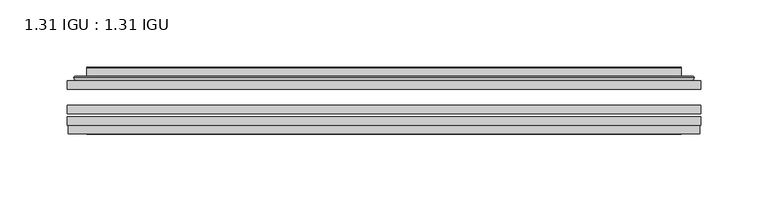
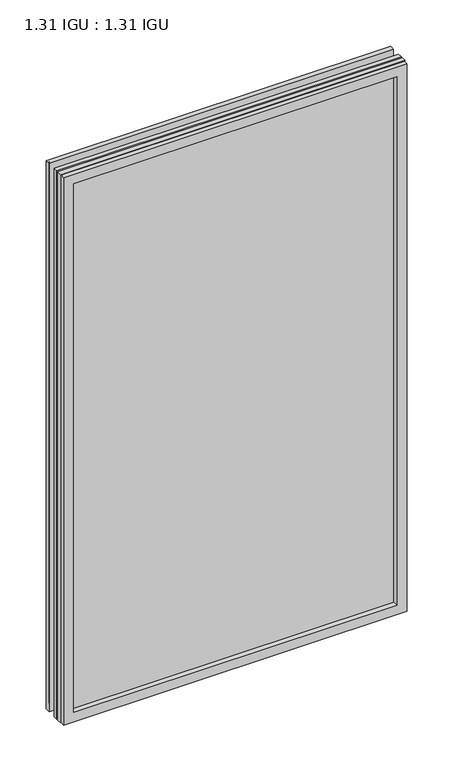
"""IFC4 building model written with IfcOpenShell, lengths in millimetres: plate geometry, 1.31 IGU : 1.31 IGU."""

from ifc_helpers import new_model, si_unit, frame, origin, place, context, project, spatial, polyline, ellipse_curve, outline, extrude, faceted_brep, source, transform, mapped, element, save
from ifc_brep_helpers import plane_surface, cylinder_surface, advanced_brep


def plate_1_31_igu_1_31_igu_d8c3344d(model_context):
    return source(origin(), model_context, "Body", "SolidModel", [
        extrude(outline(polyline([(234.964175, -63.59525), (234.964175, -69.94525), (-234.95, -69.94525), (-234.95, -63.59525), (234.964175, -63.59525)])), frame((0.0, 0.0, -14.2875), z_axis=(0.0, 0.0, 1.0), x_axis=(1.0, 0.0, 0.0)), (0.0, 0.0, 1.0), 790.6015278),
        extrude(outline(polyline([(-234.95, -78.58125), (-234.95, -72.230745), (234.964175, -72.230745), (234.964175, -78.58125), (-234.95, -78.58125)])), frame((0.0, 0.0, -14.2875), z_axis=(0.0, 0.0, 1.0), x_axis=(1.0, 0.0, 0.0)), (0.0, 0.0, 1.0), 790.6015278),
        extrude(outline(polyline([(234.964175, -45.25645), (234.964175, -51.60645), (-234.95, -51.60645), (-234.95, -45.25645), (234.964175, -45.25645)])), frame((0.0, 0.0, -14.2875), z_axis=(0.0, 0.0, 1.0), x_axis=(1.0, 0.0, 0.0)), (0.0, 0.0, 1.0), 790.6015278),
        faceted_brep([(-234.2498142, -84.93125, 775.6100441), (-234.2498142, -78.58125, 775.6100441), (-234.2498142, -78.58125, -13.5873142), (-234.2498142, -84.93125, -13.5873142), (234.2498142, -78.58125, -13.5873142), (234.2498142, -84.93125, -13.5873142), (234.2498142, -78.58125, 775.6100441), (234.2498142, -84.93125, 775.6100441), (-219.7647559, -78.58125, 0.8977441), (219.7647559, -78.58125, 0.8977441), (219.7647559, -78.58125, 761.1249858), (-219.7647559, -78.58125, 761.1249858), (-220.6571902, -84.93125, 762.0174201), (220.6571902, -84.93125, 762.0174201), (220.6571902, -84.93125, 0.0053098), (-220.6571902, -84.93125, 0.0053098)], [[[0, 1, 2, 3]], [[3, 2, 4, 5]], [[5, 4, 6, 7]], [[1, 6, 4, 2], [8, 9, 10, 11]], [[7, 6, 1, 0]], [[3, 5, 7, 0], [12, 13, 14, 15]], [[11, 12, 15, 8]], [[8, 15, 14, 9]], [[9, 14, 13, 10]], [[10, 13, 12, 11]]]),
        advanced_brep(
        [(-227.708719, -45.25645, 769.0689489), (-230.0629244, -43.2667833, 771.4231543), (-230.0629244, -43.2667833, -9.4004244), (-227.708719, -45.25645, -7.046219), (-218.6343939, -41.416413, 759.9946238), (-213.6995621, -45.25645, 755.0597919), (-213.6995621, -45.25645, 6.9629379), (-218.6343939, -41.416413, 2.0281061), (-219.6664217, -36.0191819, 761.0266515), (-219.6664217, -36.0191819, 0.9960783), (-220.6570784, -35.6202069, 762.0173083), (-220.6570784, -35.6202069, 0.0054216), (-220.6570784, -42.08145, 762.0173083), (-220.6570784, -42.08145, 0.0054216), (-229.0611349, -42.08145, 770.4213648), (-229.0611349, -42.08145, -8.3986349), (230.0629244, -43.2667833, -9.4004244), (227.708719, -45.25645, -7.046219), (213.6995621, -45.25645, 6.9629379), (218.6343939, -41.416413, 2.0281061), (219.6664217, -36.0191819, 0.9960783), (220.6570784, -35.6202069, 0.0054216), (220.6570784, -42.08145, 0.0054216), (229.0611349, -42.08145, -8.3986349), (230.0629244, -43.2667833, 771.4231543), (227.708719, -45.25645, 769.0689489), (213.6995621, -45.25645, 755.0597919), (218.6343939, -41.416413, 759.9946238), (219.6664217, -36.0191819, 761.0266515), (220.6570784, -35.6202069, 762.0173083), (220.6570784, -42.08145, 762.0173083), (229.0611349, -42.08145, 770.4213648)],
        [
            (0, 1, ellipse_curve(frame((-227.708719, -42.86885, 769.0689489), z_axis=(-0.7071067811865475, 0.0, -0.7071067811865475), x_axis=(-0.7071067811865474, 0.0, 0.7071067811865476)), 3.3765763, 2.3876)),
            (1, 2),
            (2, 3, ellipse_curve(frame((-227.708719, -42.86885, -7.046219), z_axis=(-0.7071067811865475, 0.0, 0.7071067811865475), x_axis=(0.7071067811865474, 0.0, 0.7071067811865476)), 3.3765763, 2.3876)),
            (3, 0),
            (4, 5),
            (5, 6),
            (6, 7),
            (7, 4),
            (8, 4),
            (7, 9),
            (9, 8),
            (10, 8, ellipse_curve(frame((-220.2901219, -36.1384423, 761.6503517), z_axis=(-0.7071067811865475, 0.0, -0.7071067811865475), x_axis=(-0.7071067811865474, 0.0, 0.7071067811865476)), 0.8980256, 0.635)),
            (9, 11, ellipse_curve(frame((-220.2901219, -36.1384423, 0.3723781), z_axis=(-0.7071067811865475, 0.0, 0.7071067811865475), x_axis=(0.7071067811865474, 0.0, 0.7071067811865476)), 0.8980256, 0.635)),
            (11, 10),
            (12, 10),
            (11, 13),
            (13, 12),
            (1, 14, ellipse_curve(frame((-229.0611349, -43.09745, 770.4213648), z_axis=(-0.7071067811865475, 0.0, -0.7071067811865475), x_axis=(-0.7071067811865474, 0.0, 0.7071067811865476)), 1.436841, 1.016)),
            (14, 15),
            (15, 2, ellipse_curve(frame((-229.0611349, -43.09745, -8.3986349), z_axis=(-0.7071067811865475, 0.0, 0.7071067811865475), x_axis=(0.7071067811865474, 0.0, 0.7071067811865476)), 1.436841, 1.016)),
            (2, 16),
            (16, 17, ellipse_curve(frame((227.708719, -42.86885, -7.046219), z_axis=(-0.7071067811865475, 0.0, -0.7071067811865475), x_axis=(-0.7071067811865476, 0.0, 0.7071067811865474)), 3.3765763, 2.3876)),
            (17, 3),
            (6, 18),
            (18, 19),
            (19, 7),
            (19, 20),
            (20, 9),
            (20, 21, ellipse_curve(frame((220.2901219, -36.1384423, 0.3723781), z_axis=(-0.7071067811865475, 0.0, -0.7071067811865475), x_axis=(-0.7071067811865476, 0.0, 0.7071067811865474)), 0.8980256, 0.635)),
            (21, 11),
            (21, 22),
            (22, 13),
            (15, 23),
            (23, 16, ellipse_curve(frame((229.0611349, -43.09745, -8.3986349), z_axis=(-0.7071067811865475, 0.0, -0.7071067811865475), x_axis=(-0.7071067811865476, 0.0, 0.7071067811865474)), 1.436841, 1.016)),
            (16, 24),
            (24, 25, ellipse_curve(frame((227.708719, -42.86885, 769.0689489), z_axis=(0.7071067811865475, 0.0, -0.7071067811865475), x_axis=(-0.7071067811865474, 0.0, -0.7071067811865476)), 3.3765763, 2.3876)),
            (25, 17),
            (18, 26),
            (26, 27),
            (27, 19),
            (27, 28),
            (28, 20),
            (28, 29, ellipse_curve(frame((220.2901219, -36.1384423, 761.6503517), z_axis=(0.7071067811865475, 0.0, -0.7071067811865475), x_axis=(-0.7071067811865474, 0.0, -0.7071067811865476)), 0.8980256, 0.635)),
            (29, 21),
            (29, 30),
            (30, 22),
            (23, 31),
            (31, 24, ellipse_curve(frame((229.0611349, -43.09745, 770.4213648), z_axis=(0.7071067811865475, 0.0, -0.7071067811865475), x_axis=(-0.7071067811865474, 0.0, -0.7071067811865476)), 1.436841, 1.016)),
            (24, 1),
            (0, 25),
            (5, 26),
            (4, 27),
            (8, 28),
            (10, 29),
            (12, 30),
            (14, 31),
        ],
        [
            cylinder_surface(frame((-227.708719, -42.86885, 793.7727299), z_axis=(0.0, 0.0, 1.0), x_axis=(-1.0, 0.0, 0.0)), 2.3876),
            plane_surface(frame((-213.6995621, -45.25645, 755.0597919), z_axis=(0.6141233906514794, 0.7892100234124821, 0.0), x_axis=(0.0, 0.0, -1.0))),
            plane_surface(frame((-218.6343939, -41.416413, 759.9946238), z_axis=(0.9822050625507729, 0.18781164793386076, 0.0), x_axis=(0.0, 0.0, -1.0))),
            cylinder_surface(frame((-220.2901219, -36.1384423, 793.7727299), z_axis=(0.0, 0.0, 1.0), x_axis=(-1.0, 0.0, 0.0)), 0.635),
            plane_surface(frame((-220.6570784, -35.6202069, 762.0173083), z_axis=(-1.0, 0.0, 0.0), x_axis=(0.0, 0.0, -1.0))),
            cylinder_surface(frame((-229.0611349, -43.09745, 793.7727299), z_axis=(0.0, 0.0, 1.0), x_axis=(-1.0, 0.0, 0.0)), 1.016),
            cylinder_surface(frame((-252.4125, -42.86885, -7.046219), z_axis=(-1.0, 0.0, 0.0), x_axis=(0.0, 0.0, -1.0)), 2.3876),
            plane_surface(frame((-213.6995621, -45.25645, 6.9629379), z_axis=(0.0, 0.7892100234124841, 0.6141233906514768), x_axis=(1.0, 0.0, 0.0))),
            plane_surface(frame((-218.6343939, -41.416413, 2.0281061), z_axis=(0.0, 0.18781164793386393, 0.9822050625507723), x_axis=(1.0, 0.0, 0.0))),
            cylinder_surface(frame((-252.4125, -36.1384423, 0.3723781), z_axis=(-1.0, 0.0, 0.0), x_axis=(0.0, 0.0, -1.0)), 0.635),
            plane_surface(frame((-220.6570784, -35.6202069, 0.0054216), z_axis=(0.0, 0.0, -1.0), x_axis=(1.0, 0.0, 0.0))),
            cylinder_surface(frame((-252.4125, -43.09745, -8.3986349), z_axis=(-1.0, 0.0, 0.0), x_axis=(0.0, 0.0, -1.0)), 1.016),
            cylinder_surface(frame((227.708719, -42.86885, -31.75), z_axis=(0.0, 0.0, -1.0), x_axis=(1.0, 0.0, 0.0)), 2.3876),
            plane_surface(frame((213.6995621, -45.25645, 6.9629379), z_axis=(-0.6141233906514743, 0.7892100234124861, 0.0), x_axis=(0.0, 0.0, 1.0))),
            plane_surface(frame((218.6343939, -41.416413, 2.0281061), z_axis=(-0.9822050625507718, 0.1878116479338671, 0.0), x_axis=(0.0, 0.0, 1.0))),
            cylinder_surface(frame((220.2901219, -36.1384423, -31.75), z_axis=(0.0, 0.0, -1.0), x_axis=(1.0, 0.0, 0.0)), 0.635),
            plane_surface(frame((220.6570784, -35.6202069, 0.0054216), z_axis=(1.0, 0.0, 0.0), x_axis=(0.0, 0.0, 1.0))),
            cylinder_surface(frame((229.0611349, -43.09745, -31.75), z_axis=(0.0, 0.0, -1.0), x_axis=(1.0, 0.0, 0.0)), 1.016),
            cylinder_surface(frame((252.4125, -42.86885, 769.0689489), z_axis=(1.0, 0.0, 0.0), x_axis=(0.0, 0.0, 1.0)), 2.3876),
            plane_surface(frame((227.708719, -45.25645, 769.0689489), z_axis=(0.0, -1.0, 0.0), x_axis=(-1.0, 0.0, 0.0))),
            plane_surface(frame((213.6995621, -45.25645, 755.0597919), z_axis=(0.0, 0.7892100234124841, -0.6141233906514768), x_axis=(-1.0, 0.0, 0.0))),
            plane_surface(frame((218.6343939, -41.416413, 759.9946238), z_axis=(0.0, 0.18781164793386393, -0.9822050625507723), x_axis=(-1.0, 0.0, 0.0))),
            cylinder_surface(frame((252.4125, -36.1384423, 761.6503517), z_axis=(1.0, 0.0, 0.0), x_axis=(0.0, 0.0, 1.0)), 0.635),
            plane_surface(frame((220.6570784, -35.6202069, 762.0173083), z_axis=(0.0, 0.0, 1.0), x_axis=(-1.0, 0.0, 0.0))),
            plane_surface(frame((220.6570784, -42.08145, 762.0173083), z_axis=(0.0, 1.0, 0.0), x_axis=(-1.0, 0.0, 0.0))),
            cylinder_surface(frame((252.4125, -43.09745, 770.4213648), z_axis=(1.0, 0.0, 0.0), x_axis=(0.0, 0.0, 1.0)), 1.016),
        ],
        [
            (0, [[1, 2, 3, 4]]),
            (1, [[5, 6, 7, 8]]),
            (2, [[9, -8, 10, 11]]),
            (3, [[12, -11, 13, 14]]),
            (4, [[15, -14, 16, 17]]),
            (5, [[18, 19, 20, -2]]),
            (6, [[-3, 21, 22, 23]]),
            (7, [[-7, 24, 25, 26]]),
            (8, [[-10, -26, 27, 28]]),
            (9, [[-13, -28, 29, 30]]),
            (10, [[-16, -30, 31, 32]]),
            (11, [[-20, 33, 34, -21]]),
            (12, [[-22, 35, 36, 37]]),
            (13, [[-25, 38, 39, 40]]),
            (14, [[-27, -40, 41, 42]]),
            (15, [[-29, -42, 43, 44]]),
            (16, [[-31, -44, 45, 46]]),
            (17, [[-34, 47, 48, -35]]),
            (18, [[-36, 49, -1, 50]]),
            (19, [[-23, -37, -50, -4], [51, -38, -24, -6]]),
            (20, [[-39, -51, -5, 52]]),
            (21, [[-41, -52, -9, 53]]),
            (22, [[-43, -53, -12, 54]]),
            (23, [[-45, -54, -15, 55]]),
            (24, [[56, -47, -33, -19], [-32, -46, -55, -17]]),
            (25, [[-48, -56, -18, -49]]),
        ],
    ),
    ])


if __name__ == "__main__":
    model = new_model("IFC4")
    model_context = context("Model", 3, world=origin())
    ifc_project = project(units=[si_unit("LENGTHUNIT", "METRE", prefix="MILLI")], contexts=[model_context])
    site = spatial("IfcSite", under=ifc_project)
    building = spatial("IfcBuilding", under=site)
    placement = place(None, origin())
    plate_1_31_igu_1_31_igu_shape = plate_1_31_igu_1_31_igu_d8c3344d(model_context)
    element("IfcPlate", 1, ObjectType="1.31 IGU : 1.31 IGU", at=placement, inside=building, context=model_context, shape_type="MappedRepresentation", body=[
        mapped(plate_1_31_igu_1_31_igu_shape, transform((0.0, 0.0, 0.0), x_axis=(1.0, 0.0, 0.0), y_axis=(0.0, 1.0, 0.0), z_axis=(0.0, 0.0, 1.0))),
    ])
    save(model, "model.ifc")
